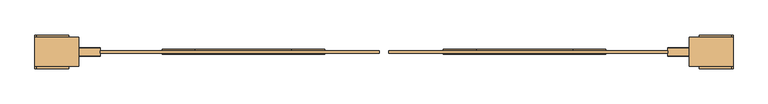
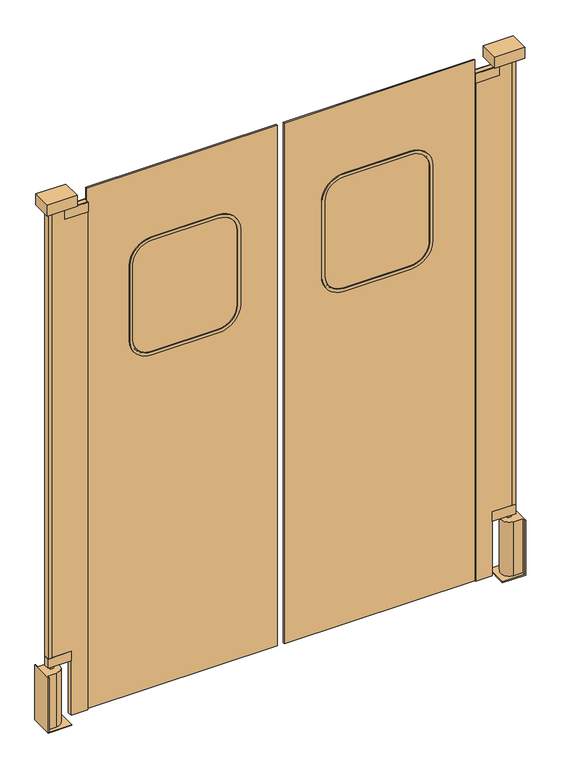
"""IFC4 building model written with IfcOpenShell, lengths in millimetres: door geometry."""

import ifcopenshell
import ifcopenshell.guid

model = None  # the IFC model being written
_history = None  # IfcOwnerHistory: only IFC2X3 demands one
_inside = {}  # id of a spatial element -> (the spatial element, [elements in it])
_under = {}  # id of a project, library or spatial element -> (it, [spatial elements below it])
_declared = {}  # id of a project -> (the project, [libraries it declares])
_typed = {}  # id of a type object -> (the type object, [elements of that type])
_made_of = {}  # id of a material, layer set ... -> (it, [elements and type objects made of it])


def new_model(schema):
    """Start an empty IFC model of exactly this schema.

    Asked for "IFC4X3", IfcOpenShell would pick the latest addendum, in which some entities
    have other attributes; the version numbers below select the first issue.
    IFC2X3 requires an IfcOwnerHistory on every rooted entity: one is made here for all.
    """
    global model, _history
    if schema == "IFC4X3":
        model = ifcopenshell.file(schema_version=(4, 3, 0, 0))
    else:
        model = ifcopenshell.file(schema=schema)
    _inside.clear()
    _under.clear()
    _declared.clear()
    _typed.clear()
    _made_of.clear()
    _history = None
    if model.schema == "IFC2X3":
        org = make("IfcOrganization", Name="unknown")
        user = make(
            "IfcPersonAndOrganization",
            ThePerson=make("IfcPerson", FamilyName="unknown"),
            TheOrganization=org,
        )
        app = make(
            "IfcApplication",
            ApplicationDeveloper=org,
            Version="unknown",
            ApplicationFullName="unknown",
            ApplicationIdentifier="unknown",
        )
        _history = make(
            "IfcOwnerHistory",
            OwningUser=user,
            OwningApplication=app,
            ChangeAction="ADDED",
            CreationDate=0,
        )
    return model


def make(cls, **values):
    """One entity of the class cls with the attributes given. An attribute that is None is left unset."""
    return model.create_entity(
        cls, **{name: value for name, value in values.items() if value is not None}
    )


def rooted(cls, **values):
    """An entity with a GlobalId (a new one), such as an element, a storey or a relation."""
    return make(cls, GlobalId=ifcopenshell.guid.new(), OwnerHistory=_history, **values)


def si_unit(unit_type, name, prefix=None):
    """IfcSIUnit, for example si_unit("LENGTHUNIT", "METRE", prefix="MILLI")."""
    return make("IfcSIUnit", UnitType=unit_type, Prefix=prefix, Name=name)


def assignment(units):
    """IfcUnitAssignment: the units of a project."""
    return None if units is None else make("IfcUnitAssignment", Units=units)


def point(xyz):
    """IfcCartesianPoint."""
    return None if xyz is None else make("IfcCartesianPoint", Coordinates=xyz)


def direction(xyz):
    """IfcDirection."""
    return None if xyz is None else make("IfcDirection", DirectionRatios=xyz)


def frame(location, z_axis=None, x_axis=None):
    """IfcAxis2Placement3D, a coordinate frame: its origin and axes. An axis left out is left unset."""
    return make(
        "IfcAxis2Placement3D",
        Location=point(location),
        Axis=direction(z_axis),
        RefDirection=direction(x_axis),
    )


def frame_2d(location, x_axis=None):
    """IfcAxis2Placement2D, a coordinate frame in the plane: its origin and x axis."""
    return make(
        "IfcAxis2Placement2D", Location=point(location), RefDirection=direction(x_axis)
    )


def origin():
    """The frame at (0, 0, 0) with its axes left unset."""
    return frame((0.0, 0.0, 0.0))


def place(relative_to, where):
    """IfcLocalPlacement: puts the frame where relative to a parent placement (None: the world)."""
    return make(
        "IfcLocalPlacement", PlacementRelTo=relative_to, RelativePlacement=where
    )


def context(
    kind, dimensions, precision=None, world=None, true_north=None, identifier=None
):
    """IfcGeometricRepresentationContext, for example the 3D "Model" context."""
    return make(
        "IfcGeometricRepresentationContext",
        ContextIdentifier=identifier,
        ContextType=kind,
        CoordinateSpaceDimension=dimensions,
        Precision=precision,
        WorldCoordinateSystem=world,
        TrueNorth=true_north,
    )


def project(units=None, contexts=None):
    """IfcProject with its units and contexts."""
    return rooted(
        "IfcProject",
        Name="project",
        RepresentationContexts=contexts,
        UnitsInContext=assignment(units),
    )


def spatial(cls, under=None, at=None, **own):
    """A site, building, storey or space (cls), placed at a placement, below another one or the project."""
    s = rooted(cls, ObjectPlacement=at, **own)
    if under is not None:
        _under.setdefault(under.id(), (under, []))[1].append(s)
    return s


def polyline(points):
    """IfcPolyline through the points."""
    return make("IfcPolyline", Points=[point(p) for p in points])


def circle_curve(where, radius):
    """IfcCircle in the frame where."""
    return make("IfcCircle", Position=where, Radius=radius)


def trimmed(basis, trim1, trim2, sense, master):
    """IfcTrimmedCurve: the piece of a basis curve between two trims."""
    return make(
        "IfcTrimmedCurve",
        BasisCurve=basis,
        Trim1=trim1,
        Trim2=trim2,
        SenseAgreement=sense,
        MasterRepresentation=master,
    )


def segment(curve, same_sense, transition):
    """IfcCompositeCurveSegment."""
    return make(
        "IfcCompositeCurveSegment",
        Transition=transition,
        SameSense=same_sense,
        ParentCurve=curve,
    )


def composite_curve(segments, self_intersect=None):
    """IfcCompositeCurve: segments joined end to end."""
    return make("IfcCompositeCurve", Segments=segments, SelfIntersect=self_intersect)


def outline(outer, holes=None, kind="AREA"):
    """IfcArbitraryClosedProfileDef: a profile drawn as a closed curve; with holes, ...WithVoids."""
    if holes is None:
        return make("IfcArbitraryClosedProfileDef", ProfileType=kind, OuterCurve=outer)
    return make(
        "IfcArbitraryProfileDefWithVoids",
        ProfileType=kind,
        OuterCurve=outer,
        InnerCurves=holes,
    )


def extrude(swept, where, along, depth):
    """IfcExtrudedAreaSolid: the profile swept, set in the frame where, extruded along a direction by depth."""
    return make(
        "IfcExtrudedAreaSolid",
        SweptArea=swept,
        Position=where,
        ExtrudedDirection=direction(along),
        Depth=depth,
    )


def shape(context_of_items, identifier, shape_type, items):
    """IfcShapeRepresentation: the items that make up one representation, for example the "Body"."""
    return make(
        "IfcShapeRepresentation",
        ContextOfItems=context_of_items,
        RepresentationIdentifier=identifier,
        RepresentationType=shape_type,
        Items=items,
    )


def source(mapping_origin, context_of_items, identifier, shape_type, items):
    """IfcRepresentationMap: a shape defined once, which mapped items show again and again."""
    return make(
        "IfcRepresentationMap",
        MappingOrigin=mapping_origin,
        MappedRepresentation=shape(context_of_items, identifier, shape_type, items),
    )


def transform(
    local_origin,
    x_axis=None,
    y_axis=None,
    z_axis=None,
    scale=None,
    scale2=None,
    scale3=None,
    uniform=True,
):
    """IfcCartesianTransformationOperator3D, or its non-uniform kind. x_axis, y_axis, z_axis: its Axis1, 2, 3."""
    if uniform:
        return make(
            "IfcCartesianTransformationOperator3D",
            Axis1=direction(x_axis),
            Axis2=direction(y_axis),
            LocalOrigin=point(local_origin),
            Scale=scale,
            Axis3=direction(z_axis),
        )
    return make(
        "IfcCartesianTransformationOperator3DnonUniform",
        Axis1=direction(x_axis),
        Axis2=direction(y_axis),
        LocalOrigin=point(local_origin),
        Scale=scale,
        Axis3=direction(z_axis),
        Scale2=scale2,
        Scale3=scale3,
    )


def mapped(mapping_source, mapping_target):
    """IfcMappedItem: shows the shape of a source again, moved by a transform."""
    return make(
        "IfcMappedItem", MappingSource=mapping_source, MappingTarget=mapping_target
    )


def made_of(thing, what):
    """Note that an element or type object is made of a material, layer set ...; save() writes the relation."""
    if what is not None:
        _made_of.setdefault(what.id(), (what, []))[1].append(thing)
    return thing


def element(
    cls,
    number,
    at=None,
    inside=None,
    cuts=None,
    type_object=None,
    material=None,
    context=None,
    identifier="Body",
    shape_type=None,
    held_by="IfcProductDefinitionShape",
    body=None,
    shapes=None,
    **own,
):
    """One element of the class cls, such as IfcWall. Its Tag is "e" and its number.

    at: its placement. inside: the storey or other place that contains it. cuts: it is an
    opening in that element (IfcRelVoidsElement). A single representation is given by context,
    identifier, shape_type and body (its items); several are given by shapes. held_by: the class
    of the entity that holds the representations. save() writes the other relations.
    """
    e = rooted(cls, Tag="e%d" % number, ObjectPlacement=at, **own)
    if body is not None:
        shapes = [shape(context, identifier, shape_type, body)]
    if shapes is not None:
        e.Representation = make(held_by, Representations=shapes)
    if inside is not None:
        _inside.setdefault(inside.id(), (inside, []))[1].append(e)
    if cuts is not None:
        rooted(
            "IfcRelVoidsElement", RelatingBuildingElement=cuts, RelatedOpeningElement=e
        )
    if type_object is not None:
        _typed.setdefault(type_object.id(), (type_object, []))[1].append(e)
    return made_of(e, material)


def aggregate(whole, parts):
    """IfcRelAggregates: a whole, such as a stair, and the parts it consists of."""
    return rooted("IfcRelAggregates", RelatingObject=whole, RelatedObjects=parts)


def save(model, path):
    """Write the relations noted so far, then the file.

    IfcRelAggregates (storeys below a building ...), IfcRelContainedInSpatialStructure (elements
    in a storey), IfcRelDefinesByType, IfcRelAssociatesMaterial and IfcRelDeclares: one each for
    every whole, place, type object, material and project.
    """
    for whole, parts in _under.values():
        aggregate(whole, parts)
    for where, things in _inside.values():
        rooted(
            "IfcRelContainedInSpatialStructure",
            RelatedElements=things,
            RelatingStructure=where,
        )
    for kind, things in _typed.values():
        rooted("IfcRelDefinesByType", RelatedObjects=things, RelatingType=kind)
    for what, things in _made_of.values():
        rooted("IfcRelAssociatesMaterial", RelatedObjects=things, RelatingMaterial=what)
    for by, libraries in _declared.values():
        rooted("IfcRelDeclares", RelatingContext=by, RelatedDefinitions=libraries)
    model.write(path)


def plane_surface(at):
    """IfcPlane: the flat surface through the origin of the frame at, square to its z axis."""
    return make("IfcPlane", Position=at)


def cylinder_surface(at, radius):
    """IfcCylindricalSurface: all points at the distance radius from the z axis of the frame at."""
    return make("IfcCylindricalSurface", Position=at, Radius=radius)


def advanced_brep(points, edges, surfaces, faces):
    """IfcAdvancedBrep: a solid bounded by faces that lie on surfaces and meet in shared edges.

    An edge is (start, end): straight between two places in points (the first is 0);
    or (start, end, curve); or (start, end, curve, False) where it runs against its curve.
    A face is (place in surfaces, loops), or (place, loops, False) where it looks against
    its surface's normal. A loop lists edges by number (the first is 1), with a minus sign
    where the edge is run from its end to its start. The first loop is the outer one.
    """
    corners = [point(p) for p in points]
    vertices = [make("IfcVertexPoint", VertexGeometry=c) for c in corners]
    made = []
    for start, end, *more in edges:
        made.append(
            make(
                "IfcEdgeCurve",
                EdgeStart=vertices[start],
                EdgeEnd=vertices[end],
                EdgeGeometry=more[0] if more else make("IfcPolyline", Points=[corners[start], corners[end]]),
                SameSense=more[1] if len(more) > 1 else True,
            )
        )
    hull = []
    for where, loops, *sense in faces:
        bounds = []
        for j, loop in enumerate(loops):
            ring = [make("IfcOrientedEdge", EdgeElement=made[abs(k) - 1], Orientation=k > 0) for k in loop]
            bounds.append(
                make(
                    "IfcFaceOuterBound" if j == 0 else "IfcFaceBound",
                    Bound=make("IfcEdgeLoop", EdgeList=ring),
                    Orientation=True,
                )
            )
        hull.append(make("IfcAdvancedFace", Bounds=bounds, FaceSurface=surfaces[where], SameSense=sense[0] if sense else True))
    return make("IfcAdvancedBrep", Outer=make("IfcClosedShell", CfsFaces=hull))


def door_bb1e5acc(model_context):
    return source(origin(), model_context, "Body", "SolidModel", [
        extrude(outline(composite_curve([segment(trimmed(circle_curve(frame_2d((1752.6, 1874.1906968)), 73.025), [point((1825.625, 1874.1906968))], [point((1752.6, 1801.1656968))], False, "CARTESIAN"), True, "CONTINUOUS"), segment(polyline([(1752.6, 1801.1656968), (1447.8, 1801.1656968)]), True, "CONTINUOUS"), segment(trimmed(circle_curve(frame_2d((1447.8, 1874.1906968)), 73.025), [point((1447.8, 1801.1656968))], [point((1374.775, 1874.1906968))], False, "CARTESIAN"), True, "CONTINUOUS"), segment(polyline([(1374.775, 1874.1906968), (1374.775, 2128.1906968)]), True, "CONTINUOUS"), segment(trimmed(circle_curve(frame_2d((1447.8, 2128.1906968)), 73.025), [point((1374.775, 2128.1906968))], [point((1447.8, 2201.2156968))], False, "CARTESIAN"), True, "CONTINUOUS"), segment(polyline([(1447.8, 2201.2156968), (1752.6, 2201.2156968)]), True, "CONTINUOUS"), segment(trimmed(circle_curve(frame_2d((1752.6, 2128.1906968)), 73.025), [point((1752.6, 2201.2156968))], [point((1825.625, 2128.1906968))], False, "CARTESIAN"), True, "CONTINUOUS"), segment(polyline([(1825.625, 2128.1906968), (1825.625, 1874.1906968)]), True, "CONTINUOUS")], self_intersect=False)), frame((0.0, -865.8160438, 0.0), z_axis=(0.0, 1.0, 0.0), x_axis=(0.0, 0.0, 1.0)), (0.0, 0.0, 1.0), 6.35),
        extrude(outline(polyline([(2445.6906968, -865.8160438), (2445.6906968, -859.4660438), (2458.3906968, -859.4660438), (2458.3906968, -865.8160438), (2445.6906968, -865.8160438)])), frame((0.0, 0.0, 2070.1), z_axis=(0.0, 0.0, 1.0), x_axis=(1.0, 0.0, 0.0)), (0.0, 0.0, 1.0), 19.05),
        extrude(outline(polyline([(2502.8406968, -865.8160438), (2502.8406968, -859.4660438), (2515.5406968, -859.4660438), (2515.5406968, -865.8160438), (2502.8406968, -865.8160438)])), frame((0.0, 0.0, 222.25), z_axis=(0.0, 0.0, 1.0), x_axis=(1.0, 0.0, 0.0)), (0.0, 0.0, 1.0), 12.7),
        extrude(outline(composite_curve([segment(trimmed(circle_curve(frame_2d((1752.6, 1874.1906968)), 85.725), [point((1838.325, 1874.1906968))], [point((1752.6, 1788.4656968))], False, "CARTESIAN"), True, "CONTINUOUS"), segment(polyline([(1752.6, 1788.4656968), (1447.8, 1788.4656968)]), True, "CONTINUOUS"), segment(trimmed(circle_curve(frame_2d((1447.8, 1874.1906968)), 85.725), [point((1447.8, 1788.4656968))], [point((1362.075, 1874.1906968))], False, "CARTESIAN"), True, "CONTINUOUS"), segment(polyline([(1362.075, 1874.1906968), (1362.075, 2128.1906968)]), True, "CONTINUOUS"), segment(trimmed(circle_curve(frame_2d((1447.8, 2128.1906968)), 85.725), [point((1362.075, 2128.1906968))], [point((1447.8, 2213.9156968))], False, "CARTESIAN"), True, "CONTINUOUS"), segment(polyline([(1447.8, 2213.9156968), (1752.6, 2213.9156968)]), True, "CONTINUOUS"), segment(trimmed(circle_curve(frame_2d((1752.6, 2128.1906968)), 85.725), [point((1752.6, 2213.9156968))], [point((1838.325, 2128.1906968))], False, "CARTESIAN"), True, "CONTINUOUS"), segment(polyline([(1838.325, 2128.1906968), (1838.325, 1874.1906968)]), True, "CONTINUOUS")], self_intersect=False), holes=[composite_curve([segment(trimmed(circle_curve(frame_2d((1447.8, 2128.1906968)), 73.025), [point((1447.8, 2201.2156968))], [point((1374.775, 2128.1906968))], True, "CARTESIAN"), True, "CONTINUOUS"), segment(polyline([(1374.775, 2128.1906968), (1374.775, 1874.1906968)]), True, "CONTINUOUS"), segment(trimmed(circle_curve(frame_2d((1447.8, 1874.1906968)), 73.025), [point((1374.775, 1874.1906968))], [point((1447.8, 1801.1656968))], True, "CARTESIAN"), True, "CONTINUOUS"), segment(polyline([(1447.8, 1801.1656968), (1752.6, 1801.1656968)]), True, "CONTINUOUS"), segment(trimmed(circle_curve(frame_2d((1752.6, 1874.1906968)), 73.025), [point((1752.6, 1801.1656968))], [point((1825.625, 1874.1906968))], True, "CARTESIAN"), True, "CONTINUOUS"), segment(polyline([(1825.625, 1874.1906968), (1825.625, 2128.1906968)]), True, "CONTINUOUS"), segment(trimmed(circle_curve(frame_2d((1752.6, 2128.1906968)), 73.025), [point((1825.625, 2128.1906968))], [point((1752.6, 2201.2156968))], True, "CARTESIAN"), True, "CONTINUOUS"), segment(polyline([(1752.6, 2201.2156968), (1447.8, 2201.2156968)]), True, "CONTINUOUS")], self_intersect=False)]), frame((0.0, -868.9910438, 0.0), z_axis=(0.0, 1.0, 0.0), x_axis=(0.0, 0.0, 1.0)), (0.0, 0.0, 1.0), 12.7),
        extrude(outline(polyline([(2120.9, 2375.8406968), (2120.9, 1645.5906968), (12.7, 1645.5906968), (12.7, 2375.8406968), (2120.9, 2375.8406968)]), holes=[composite_curve([segment(polyline([(1828.8, 1874.1906968), (1828.8, 2128.1906968)]), True, "CONTINUOUS"), segment(trimmed(circle_curve(frame_2d((1752.6, 2128.1906968)), 76.2), [point((1828.8, 2128.1906968))], [point((1752.6, 2204.3906968))], True, "CARTESIAN"), True, "CONTINUOUS"), segment(polyline([(1752.6, 2204.3906968), (1447.8, 2204.3906968)]), True, "CONTINUOUS"), segment(trimmed(circle_curve(frame_2d((1447.8, 2128.1906968)), 76.2), [point((1447.8, 2204.3906968))], [point((1371.6, 2128.1906968))], True, "CARTESIAN"), True, "CONTINUOUS"), segment(polyline([(1371.6, 2128.1906968), (1371.6, 1874.1906968)]), True, "CONTINUOUS"), segment(trimmed(circle_curve(frame_2d((1447.8, 1874.1906968)), 76.2), [point((1371.6, 1874.1906968))], [point((1447.8, 1797.9906968))], True, "CARTESIAN"), True, "CONTINUOUS"), segment(polyline([(1447.8, 1797.9906968), (1752.6, 1797.9906968)]), True, "CONTINUOUS"), segment(trimmed(circle_curve(frame_2d((1752.6, 1874.1906968)), 76.2), [point((1752.6, 1797.9906968))], [point((1828.8, 1874.1906968))], True, "CARTESIAN"), True, "CONTINUOUS")], self_intersect=False)]), frame((0.0, -865.8160438, 0.0), z_axis=(0.0, 1.0, 0.0), x_axis=(0.0, 0.0, 1.0)), (0.0, 0.0, 1.0), 6.35),
        extrude(outline(polyline([(2515.5406968, -851.5285438), (2528.2406968, -851.5285438), (2528.2406968, -873.7535438), (2515.5406968, -873.7535438), (2515.5406968, -851.5285438)])), frame((0.0, 0.0, 273.05), z_axis=(0.0, 0.0, 1.0), x_axis=(1.0, 0.0, 0.0)), (0.0, 0.0, 1.0), 1797.05),
        extrude(outline(polyline([(2070.1, 2375.8406968), (12.7, 2375.8406968), (12.7, 2439.3406968), (273.05, 2439.3406968), (273.05, 2526.6531968), (2070.1, 2526.6531968), (2070.1, 2375.8406968)])), frame((0.0, -872.1660438, 0.0), z_axis=(0.0, 1.0, 0.0), x_axis=(0.0, 0.0, 1.0)), (0.0, 0.0, 1.0), 19.05),
        extrude(outline(polyline([(2375.8406968, -873.7535438), (2375.8406968, -851.5285438), (2464.7406968, -851.5285438), (2464.7406968, -873.7535438), (2375.8406968, -873.7535438)])), frame((0.0, 0.0, 2032.0), z_axis=(0.0, 0.0, 1.0), x_axis=(1.0, 0.0, 0.0)), (0.0, 0.0, 1.0), 38.1),
        extrude(outline(polyline([(2439.3406968, -873.7535438), (2439.3406968, -851.5285438), (2528.2406968, -851.5285438), (2528.2406968, -873.7535438), (2439.3406968, -873.7535438)])), frame((0.0, 0.0, 234.95), z_axis=(0.0, 0.0, 1.0), x_axis=(1.0, 0.0, 0.0)), (0.0, 0.0, 1.0), 38.1),
        extrude(outline(polyline([(2432.9906968, -900.7410438), (2432.9906968, -824.5410438), (2547.2906968, -824.5410438), (2547.2906968, -900.7410438), (2432.9906968, -900.7410438)])), frame((0.0, 0.0, 2089.15), z_axis=(0.0, 0.0, 1.0), x_axis=(1.0, 0.0, 0.0)), (0.0, 0.0, 1.0), 44.45),
        advanced_brep(
        [(2458.3906968, -907.0910438, 0.0), (2547.2906968, -907.0910438, 0.0), (2547.2906968, -907.0910438, 222.25), (2544.1156968, -907.0910438, 222.25), (2544.1156968, -907.0910438, 3.175), (2458.3906968, -907.0910438, 3.175), (2547.2906968, -818.1910438, 222.25), (2547.2906968, -818.1910438, 0.0), (2458.3906968, -818.1910438, 0.0), (2458.3906968, -818.1910438, 3.175), (2544.1156968, -818.1910438, 3.175), (2544.1156968, -818.1910438, 222.25), (2544.1156968, -894.3910438, 3.175), (2509.1906968, -894.3910438, 3.175), (2509.1906968, -830.8910438, 3.175), (2544.1156968, -830.8910438, 3.175), (2544.1156968, -830.8910438, 222.25), (2509.1906968, -830.8910438, 222.25), (2509.1906968, -894.3910438, 222.25), (2544.1156968, -894.3910438, 222.25)],
        [
            (0, 1),
            (1, 2),
            (2, 3),
            (3, 4),
            (4, 5),
            (5, 0),
            (6, 7),
            (7, 8),
            (8, 9),
            (9, 10),
            (10, 11),
            (11, 6),
            (5, 9),
            (8, 0),
            (4, 12),
            (12, 13),
            (13, 14, circle_curve(frame((2509.1906968, -862.6410438, 3.175), z_axis=(0.0, 0.0, -1.0), x_axis=(-1.0, 0.0, 0.0)), 31.75)),
            (14, 15),
            (15, 10),
            (1, 7),
            (6, 2),
            (11, 16),
            (16, 17),
            (17, 18, circle_curve(frame((2509.1906968, -862.6410438, 222.25), z_axis=(0.0, 0.0, 1.0), x_axis=(-1.0, 0.0, 0.0)), 31.75)),
            (18, 19),
            (19, 3),
            (19, 12),
            (18, 13),
            (17, 14),
            (16, 15),
        ],
        [
            plane_surface(frame((2458.3906968, -907.0910438, 0.0), z_axis=(0.0, -1.0, 0.0), x_axis=(0.0, 0.0, 1.0))),
            plane_surface(frame((2458.3906968, -818.1910438, 0.0), z_axis=(0.0, 1.0, 0.0), x_axis=(0.0, 0.0, -1.0))),
            plane_surface(frame((2458.3906968, -907.0910438, 0.0), z_axis=(-1.0, 0.0, 0.0), x_axis=(0.0, 1.0, 0.0))),
            plane_surface(frame((2458.3906968, -907.0910438, 3.175), z_axis=(0.0, 0.0, 1.0), x_axis=(0.0, 1.0, 0.0))),
            plane_surface(frame((2547.2906968, -907.0910438, 3.175), z_axis=(1.0, 0.0, 0.0), x_axis=(0.0, 1.0, 0.0))),
            plane_surface(frame((2547.2906968, -907.0910438, 0.0), z_axis=(0.0, 0.0, -1.0), x_axis=(0.0, 1.0, 0.0))),
            plane_surface(frame((2547.2906968, -818.1910438, 222.25), z_axis=(0.0, 0.0, 1.0), x_axis=(1.0, 0.0, 0.0))),
            plane_surface(frame((2544.1156968, -907.0910438, 222.25), z_axis=(-1.0, 0.0, 0.0), x_axis=(0.0, 0.0, -1.0))),
            plane_surface(frame((2544.1156968, -894.3910438, 222.25), z_axis=(0.0, -1.0, 0.0), x_axis=(0.0, 0.0, -1.0))),
            cylinder_surface(frame((2509.1906968, -862.6410438, 0.0), z_axis=(0.0, 0.0, 1.0), x_axis=(-1.0, 0.0, 0.0)), 31.75),
            plane_surface(frame((2509.1906968, -830.8910438, 222.25), z_axis=(0.0, 1.0, 0.0), x_axis=(0.0, 0.0, -1.0))),
            plane_surface(frame((2544.1156968, -830.8910438, 222.25), z_axis=(-1.0, 0.0, 0.0), x_axis=(0.0, 0.0, -1.0))),
        ],
        [
            (0, [[1, 2, 3, 4, 5, 6]]),
            (1, [[7, 8, 9, 10, 11, 12]]),
            (2, [[13, -9, 14, -6]]),
            (3, [[-5, 15, 16, 17, 18, 19, -10, -13]]),
            (4, [[20, -7, 21, -2]]),
            (5, [[-20, -1, -14, -8]]),
            (6, [[22, 23, 24, 25, 26, -3, -21, -12]]),
            (7, [[27, -15, -4, -26]]),
            (8, [[28, -16, -27, -25]]),
            (9, [[29, -17, -28, -24]]),
            (10, [[30, -18, -29, -23]]),
            (11, [[-11, -19, -30, -22]]),
        ],
    ),
        extrude(outline(composite_curve([segment(polyline([(1825.625, 1391.5906968), (1825.625, 1137.5906968)]), True, "CONTINUOUS"), segment(trimmed(circle_curve(frame_2d((1752.6, 1137.5906968)), 73.025), [point((1825.625, 1137.5906968))], [point((1752.6, 1064.5656968))], False, "CARTESIAN"), True, "CONTINUOUS"), segment(polyline([(1752.6, 1064.5656968), (1447.8, 1064.5656968)]), True, "CONTINUOUS"), segment(trimmed(circle_curve(frame_2d((1447.8, 1137.5906968)), 73.025), [point((1447.8, 1064.5656968))], [point((1374.775, 1137.5906968))], False, "CARTESIAN"), True, "CONTINUOUS"), segment(polyline([(1374.775, 1137.5906968), (1374.775, 1391.5906968)]), True, "CONTINUOUS"), segment(trimmed(circle_curve(frame_2d((1447.8, 1391.5906968)), 73.025), [point((1374.775, 1391.5906968))], [point((1447.8, 1464.6156968))], False, "CARTESIAN"), True, "CONTINUOUS"), segment(polyline([(1447.8, 1464.6156968), (1752.6, 1464.6156968)]), True, "CONTINUOUS"), segment(trimmed(circle_curve(frame_2d((1752.6, 1391.5906968)), 73.025), [point((1752.6, 1464.6156968))], [point((1825.625, 1391.5906968))], False, "CARTESIAN"), True, "CONTINUOUS")], self_intersect=False)), frame((0.0, -865.8160438, 0.0), z_axis=(0.0, 1.0, 0.0), x_axis=(0.0, 0.0, 1.0)), (0.0, 0.0, 1.0), 6.35),
        extrude(outline(polyline([(820.0906968, -865.8160438), (807.3906968, -865.8160438), (807.3906968, -859.4660438), (820.0906968, -859.4660438), (820.0906968, -865.8160438)])), frame((0.0, 0.0, 2070.1), z_axis=(0.0, 0.0, 1.0), x_axis=(1.0, 0.0, 0.0)), (0.0, 0.0, 1.0), 19.05),
        extrude(outline(polyline([(762.9406968, -865.8160438), (750.2406968, -865.8160438), (750.2406968, -859.4660438), (762.9406968, -859.4660438), (762.9406968, -865.8160438)])), frame((0.0, 0.0, 222.25), z_axis=(0.0, 0.0, 1.0), x_axis=(1.0, 0.0, 0.0)), (0.0, 0.0, 1.0), 12.7),
        extrude(outline(composite_curve([segment(polyline([(1838.325, 1391.5906968), (1838.325, 1137.5906968)]), True, "CONTINUOUS"), segment(trimmed(circle_curve(frame_2d((1752.6, 1137.5906968)), 85.725), [point((1838.325, 1137.5906968))], [point((1752.6, 1051.8656968))], False, "CARTESIAN"), True, "CONTINUOUS"), segment(polyline([(1752.6, 1051.8656968), (1447.8, 1051.8656968)]), True, "CONTINUOUS"), segment(trimmed(circle_curve(frame_2d((1447.8, 1137.5906968)), 85.725), [point((1447.8, 1051.8656968))], [point((1362.075, 1137.5906968))], False, "CARTESIAN"), True, "CONTINUOUS"), segment(polyline([(1362.075, 1137.5906968), (1362.075, 1391.5906968)]), True, "CONTINUOUS"), segment(trimmed(circle_curve(frame_2d((1447.8, 1391.5906968)), 85.725), [point((1362.075, 1391.5906968))], [point((1447.8, 1477.3156968))], False, "CARTESIAN"), True, "CONTINUOUS"), segment(polyline([(1447.8, 1477.3156968), (1752.6, 1477.3156968)]), True, "CONTINUOUS"), segment(trimmed(circle_curve(frame_2d((1752.6, 1391.5906968)), 85.725), [point((1752.6, 1477.3156968))], [point((1838.325, 1391.5906968))], False, "CARTESIAN"), True, "CONTINUOUS")], self_intersect=False), holes=[composite_curve([segment(polyline([(1447.8, 1064.5656968), (1752.6, 1064.5656968)]), True, "CONTINUOUS"), segment(trimmed(circle_curve(frame_2d((1752.6, 1137.5906968)), 73.025), [point((1752.6, 1064.5656968))], [point((1825.625, 1137.5906968))], True, "CARTESIAN"), True, "CONTINUOUS"), segment(polyline([(1825.625, 1137.5906968), (1825.625, 1391.5906968)]), True, "CONTINUOUS"), segment(trimmed(circle_curve(frame_2d((1752.6, 1391.5906968)), 73.025), [point((1825.625, 1391.5906968))], [point((1752.6, 1464.6156968))], True, "CARTESIAN"), True, "CONTINUOUS"), segment(polyline([(1752.6, 1464.6156968), (1447.8, 1464.6156968)]), True, "CONTINUOUS"), segment(trimmed(circle_curve(frame_2d((1447.8, 1391.5906968)), 73.025), [point((1447.8, 1464.6156968))], [point((1374.775, 1391.5906968))], True, "CARTESIAN"), True, "CONTINUOUS"), segment(polyline([(1374.775, 1391.5906968), (1374.775, 1137.5906968)]), True, "CONTINUOUS"), segment(trimmed(circle_curve(frame_2d((1447.8, 1137.5906968)), 73.025), [point((1374.775, 1137.5906968))], [point((1447.8, 1064.5656968))], True, "CARTESIAN"), True, "CONTINUOUS")], self_intersect=False)]), frame((0.0, -868.9910438, 0.0), z_axis=(0.0, 1.0, 0.0), x_axis=(0.0, 0.0, 1.0)), (0.0, 0.0, 1.0), 12.7),
        extrude(outline(polyline([(2120.9, 889.9406968), (12.7, 889.9406968), (12.7, 1620.1906968), (2120.9, 1620.1906968), (2120.9, 889.9406968)]), holes=[composite_curve([segment(trimmed(circle_curve(frame_2d((1752.6, 1391.5906968)), 76.2), [point((1828.8, 1391.5906968))], [point((1752.6, 1467.7906968))], True, "CARTESIAN"), True, "CONTINUOUS"), segment(polyline([(1752.6, 1467.7906968), (1447.8, 1467.7906968)]), True, "CONTINUOUS"), segment(trimmed(circle_curve(frame_2d((1447.8, 1391.5906968)), 76.2), [point((1447.8, 1467.7906968))], [point((1371.6, 1391.5906968))], True, "CARTESIAN"), True, "CONTINUOUS"), segment(polyline([(1371.6, 1391.5906968), (1371.6, 1137.5906968)]), True, "CONTINUOUS"), segment(trimmed(circle_curve(frame_2d((1447.8, 1137.5906968)), 76.2), [point((1371.6, 1137.5906968))], [point((1447.8, 1061.3906968))], True, "CARTESIAN"), True, "CONTINUOUS"), segment(polyline([(1447.8, 1061.3906968), (1752.6, 1061.3906968)]), True, "CONTINUOUS"), segment(trimmed(circle_curve(frame_2d((1752.6, 1137.5906968)), 76.2), [point((1752.6, 1061.3906968))], [point((1828.8, 1137.5906968))], True, "CARTESIAN"), True, "CONTINUOUS"), segment(polyline([(1828.8, 1137.5906968), (1828.8, 1391.5906968)]), True, "CONTINUOUS")], self_intersect=False)]), frame((0.0, -865.8160438, 0.0), z_axis=(0.0, 1.0, 0.0), x_axis=(0.0, 0.0, 1.0)), (0.0, 0.0, 1.0), 6.35),
        extrude(outline(polyline([(750.2406968, -851.5285438), (750.2406968, -873.7535438), (737.5406968, -873.7535438), (737.5406968, -851.5285438), (750.2406968, -851.5285438)])), frame((0.0, 0.0, 273.05), z_axis=(0.0, 0.0, 1.0), x_axis=(1.0, 0.0, 0.0)), (0.0, 0.0, 1.0), 1797.05),
        extrude(outline(polyline([(2070.1, 889.9406968), (2070.1, 739.1281968), (273.05, 739.1281968), (273.05, 826.4406968), (12.7, 826.4406968), (12.7, 889.9406968), (2070.1, 889.9406968)])), frame((0.0, -872.1660438, 0.0), z_axis=(0.0, 1.0, 0.0), x_axis=(0.0, 0.0, 1.0)), (0.0, 0.0, 1.0), 19.05),
        extrude(outline(polyline([(889.9406968, -873.7535438), (801.0406968, -873.7535438), (801.0406968, -851.5285438), (889.9406968, -851.5285438), (889.9406968, -873.7535438)])), frame((0.0, 0.0, 2032.0), z_axis=(0.0, 0.0, 1.0), x_axis=(1.0, 0.0, 0.0)), (0.0, 0.0, 1.0), 38.1),
        extrude(outline(polyline([(826.4406968, -873.7535438), (737.5406968, -873.7535438), (737.5406968, -851.5285438), (826.4406968, -851.5285438), (826.4406968, -873.7535438)])), frame((0.0, 0.0, 234.95), z_axis=(0.0, 0.0, 1.0), x_axis=(1.0, 0.0, 0.0)), (0.0, 0.0, 1.0), 38.1),
        extrude(outline(polyline([(832.7906968, -900.7410438), (718.4906968, -900.7410438), (718.4906968, -824.5410438), (832.7906968, -824.5410438), (832.7906968, -900.7410438)])), frame((0.0, 0.0, 2089.15), z_axis=(0.0, 0.0, 1.0), x_axis=(1.0, 0.0, 0.0)), (0.0, 0.0, 1.0), 44.45),
        advanced_brep(
        [(807.3906968, -907.0910438, 0.0), (807.3906968, -907.0910438, 3.175), (721.6656968, -907.0910438, 3.175), (721.6656968, -907.0910438, 222.25), (718.4906968, -907.0910438, 222.25), (718.4906968, -907.0910438, 0.0), (718.4906968, -818.1910438, 222.25), (721.6656968, -818.1910438, 222.25), (721.6656968, -818.1910438, 3.175), (807.3906968, -818.1910438, 3.175), (807.3906968, -818.1910438, 0.0), (718.4906968, -818.1910438, 0.0), (721.6656968, -830.8910438, 3.175), (756.5906968, -830.8910438, 3.175), (756.5906968, -894.3910438, 3.175), (721.6656968, -894.3910438, 3.175), (721.6656968, -894.3910438, 222.25), (756.5906968, -894.3910438, 222.25), (756.5906968, -830.8910438, 222.25), (721.6656968, -830.8910438, 222.25)],
        [
            (0, 1),
            (1, 2),
            (2, 3),
            (3, 4),
            (4, 5),
            (5, 0),
            (6, 7),
            (7, 8),
            (8, 9),
            (9, 10),
            (10, 11),
            (11, 6),
            (0, 10),
            (9, 1),
            (8, 12),
            (12, 13),
            (13, 14, circle_curve(frame((756.5906968, -862.6410438, 3.175), z_axis=(0.0, 0.0, -1.0), x_axis=(1.0, 0.0, 0.0)), 31.75)),
            (14, 15),
            (15, 2),
            (4, 6),
            (11, 5),
            (3, 16),
            (16, 17),
            (17, 18, circle_curve(frame((756.5906968, -862.6410438, 222.25), z_axis=(0.0, 0.0, 1.0), x_axis=(1.0, 0.0, 0.0)), 31.75)),
            (18, 19),
            (19, 7),
            (15, 16),
            (14, 17),
            (13, 18),
            (12, 19),
        ],
        [
            plane_surface(frame((807.3906968, -907.0910438, 0.0), z_axis=(0.0, -1.0, 0.0), x_axis=(0.0, 0.0, 1.0))),
            plane_surface(frame((807.3906968, -818.1910438, 0.0), z_axis=(0.0, 1.0, 0.0), x_axis=(0.0, 0.0, -1.0))),
            plane_surface(frame((807.3906968, -907.0910438, 0.0), z_axis=(1.0, 0.0, 0.0), x_axis=(0.0, 1.0, 0.0))),
            plane_surface(frame((807.3906968, -907.0910438, 3.175), z_axis=(0.0, 0.0, 1.0), x_axis=(0.0, 1.0, 0.0))),
            plane_surface(frame((718.4906968, -907.0910438, 3.175), z_axis=(-1.0, 0.0, 0.0), x_axis=(0.0, 1.0, 0.0))),
            plane_surface(frame((718.4906968, -907.0910438, 0.0), z_axis=(0.0, 0.0, -1.0), x_axis=(0.0, 1.0, 0.0))),
            plane_surface(frame((718.4906968, -818.1910438, 222.25), z_axis=(0.0, 0.0, 1.0), x_axis=(-1.0, 0.0, 0.0))),
            plane_surface(frame((721.6656968, -907.0910438, 222.25), z_axis=(1.0, 0.0, 0.0), x_axis=(0.0, 0.0, -1.0))),
            plane_surface(frame((721.6656968, -894.3910438, 222.25), z_axis=(0.0, -1.0, 0.0), x_axis=(0.0, 0.0, -1.0))),
            cylinder_surface(frame((756.5906968, -862.6410438, 0.0), z_axis=(0.0, 0.0, 1.0), x_axis=(1.0, 0.0, 0.0)), 31.75),
            plane_surface(frame((756.5906968, -830.8910438, 222.25), z_axis=(0.0, 1.0, 0.0), x_axis=(0.0, 0.0, -1.0))),
            plane_surface(frame((721.6656968, -830.8910438, 222.25), z_axis=(1.0, 0.0, 0.0), x_axis=(0.0, 0.0, -1.0))),
        ],
        [
            (0, [[1, 2, 3, 4, 5, 6]]),
            (1, [[7, 8, 9, 10, 11, 12]]),
            (2, [[-1, 13, -10, 14]]),
            (3, [[-14, -9, 15, 16, 17, 18, 19, -2]]),
            (4, [[-5, 20, -12, 21]]),
            (5, [[-11, -13, -6, -21]]),
            (6, [[-7, -20, -4, 22, 23, 24, 25, 26]]),
            (7, [[-22, -3, -19, 27]]),
            (8, [[-23, -27, -18, 28]]),
            (9, [[-24, -28, -17, 29]]),
            (10, [[-25, -29, -16, 30]]),
            (11, [[-26, -30, -15, -8]]),
        ],
    ),
    ])


if __name__ == "__main__":
    model = new_model("IFC4")
    model_context = context("Model", 3, world=origin())
    ifc_project = project(units=[si_unit("LENGTHUNIT", "METRE", prefix="MILLI")], contexts=[model_context])
    site = spatial("IfcSite", under=ifc_project)
    building = spatial("IfcBuilding", under=site)
    placement = place(None, origin())
    door_shape = door_bb1e5acc(model_context)
    element("IfcDoor", 1, at=placement, inside=building, context=model_context, shape_type="MappedRepresentation", body=[
        mapped(door_shape, transform((0.0, 0.0, 0.0), x_axis=(1.0, 0.0, 0.0), y_axis=(0.0, 1.0, 0.0), z_axis=(0.0, 0.0, 1.0))),
    ])
    save(model, "model.ifc")
